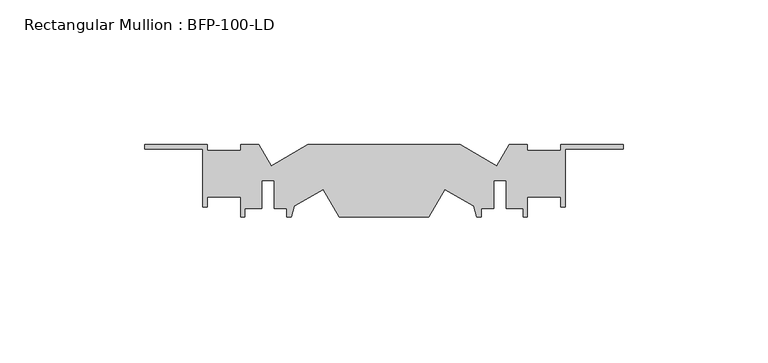
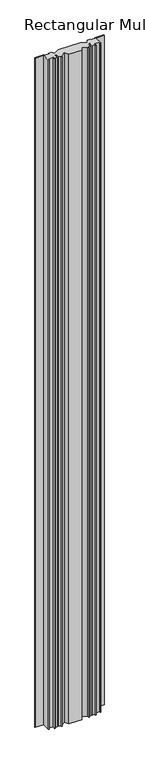
"""IFC4 building model written with IfcOpenShell, lengths in millimetres: member geometry, Rectangular Mullion : BFP-100-LD."""

from ifc_helpers import new_model, si_unit, frame, origin, place, context, project, spatial, polyline, outline, extrude, source, transform, mapped, element, save


def rectangular_mullion_bfp_100_ld_9768c4d3(model_context):
    return source(origin(), model_context, "Body", "SweptSolid", [
        extrude(outline(polyline([(-121.4790017, -27.3331761), (-108.7775681, -20.0), (-56.2224319, -20.0), (-43.5209983, -27.3331761), (-39.2871871, -20.0), (-33.0, -20.0), (-33.0, -22.0), (-21.5, -22.0), (-21.5, -20.0), (0.0, -20.0), (0.0, -21.5), (-20.0, -21.5), (-20.0, -41.5), (-21.5, -41.5), (-21.5, -38.0), (-33.0, -38.0), (-33.0, -45.0), (-34.5, -45.0), (-34.5, -42.0), (-40.4, -42.0), (-40.4, -32.4), (-44.6, -32.4), (-44.6, -42.0), (-49.0, -42.0), (-49.0, -45.0), (-50.5, -45.0), (-51.5209983, -41.1895826), (-61.4802904, -35.4395826), (-67.0, -45.0), (-98.0, -45.0), (-103.5197096, -35.4395826), (-113.4790017, -41.1895826), (-114.5, -45.0), (-116.0, -45.0), (-116.0, -42.0), (-120.4, -42.0), (-120.4, -32.4), (-124.6, -32.4), (-124.6, -42.0), (-130.5, -42.0), (-130.5, -45.0), (-132.0, -45.0), (-132.0, -38.0), (-143.5, -38.0), (-143.5, -41.5), (-145.0, -41.5), (-145.0, -21.5), (-165.0, -21.5), (-165.0, -20.0), (-143.5, -20.0), (-143.5, -22.0), (-132.0, -22.0), (-132.0, -20.0), (-125.7128129, -20.0), (-121.4790017, -27.3331761)])), frame((0.0, 0.0, -1694.0), z_axis=(0.0, 0.0, 1.0), x_axis=(1.0, 0.0, 0.0)), (0.0, 0.0, 1.0), 1694.0),
    ])


if __name__ == "__main__":
    model = new_model("IFC4")
    model_context = context("Model", 3, world=origin())
    ifc_project = project(units=[si_unit("LENGTHUNIT", "METRE", prefix="MILLI")], contexts=[model_context])
    site = spatial("IfcSite", under=ifc_project)
    building = spatial("IfcBuilding", under=site)
    placement = place(None, origin())
    rectangular_mullion_bfp_100_ld_shape = rectangular_mullion_bfp_100_ld_9768c4d3(model_context)
    element("IfcMember", 1, ObjectType="Rectangular Mullion : BFP-100-LD", at=placement, inside=building, context=model_context, shape_type="MappedRepresentation", body=[
        mapped(rectangular_mullion_bfp_100_ld_shape, transform((0.0, 0.0, 0.0), x_axis=(1.0, 0.0, 0.0), y_axis=(0.0, 1.0, 0.0), z_axis=(0.0, 0.0, 1.0))),
    ])
    save(model, "model.ifc")
